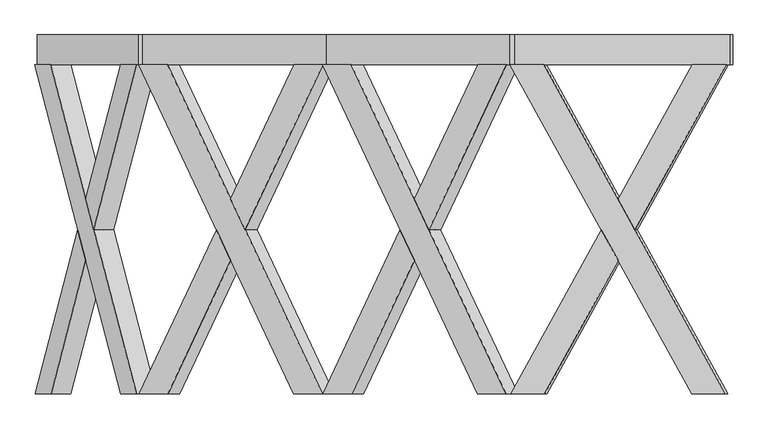
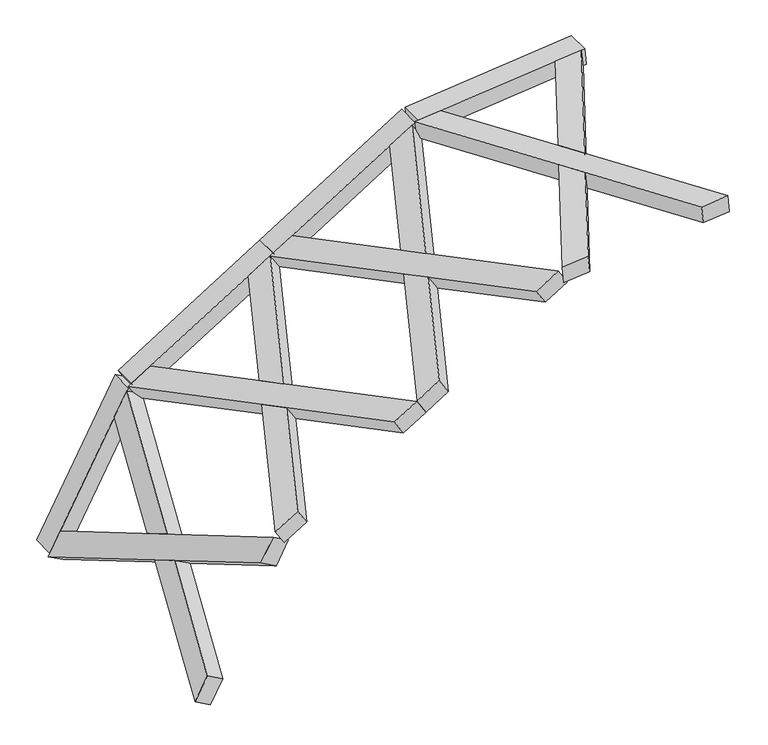
"""IFC4 building model written with IfcOpenShell, lengths in millimetres: proxy geometry."""

from ifc_helpers import new_model, si_unit, frame, origin, place, context, project, spatial, polyline, outline, extrude, faceted_brep, source, transform, mapped, element, save


def generic_models_c816ff76(model_context):
    return source(origin(), model_context, "Body", "SolidModel", [
        faceted_brep([(4593.6260355, -100.0, 2911.5530672), (3369.9754369, -2319.6837757, 2782.9422068), (3142.5573059, -2319.6837757, 2759.0395981), (4366.2079046, -100.0, 2887.6504585), (3126.8780364, -2319.6837757, 2908.2178824), (3354.2961674, -2319.6837757, 2932.1204911), (3850.0546145, -1420.3854116, 2984.2268036), (3736.345549, -1214.1188776, 2972.2754992), (4577.946766, -100.0, 3060.7313515), (4350.5286351, -100.0, 3036.8287428), (3850.0546145, -1007.8523437, 2984.2268036), (3963.7636799, -1214.1188776, 2996.1781079), (3744.1851837, -1214.1188776, 2897.6863571), (3857.8942492, -1007.8523437, 2909.6376614), (3971.6033147, -1214.1188776, 2921.5889658), (3857.8942492, -1420.3854116, 2909.6376614)], [[[0, 1, 2, 3]], [[4, 5, 6, 7]], [[8, 9, 10, 11]], [[0, 3, 9, 8]], [[3, 2, 4, 7, 12, 13, 10, 9]], [[2, 1, 5, 4]], [[1, 0, 8, 11, 14, 15, 6, 5]], [[12, 15, 14, 13]], [[13, 14, 11, 10]], [[15, 12, 7, 6]]]),
        faceted_brep([(3137.8417324, -100.0, 2758.5439713), (3365.2598633, -100.0, 2782.4465801), (3865.7338839, -1007.8523437, 2835.0485193), (3752.0248185, -1214.1188776, 2823.0972149), (4588.910462, -2319.6837757, 2911.0574405), (4361.492331, -2319.6837757, 2887.1548317), (3865.7338839, -1420.3854116, 2835.0485193), (3979.4429494, -1214.1188776, 2846.9998236), (3122.1624629, -100.0, 2907.7222556), (4345.8130615, -2319.6837757, 3036.333116), (4573.2311925, -2319.6837757, 3060.2357248), (3349.5805938, -100.0, 2931.6248644), (3971.6033147, -1214.1188776, 2921.5889658), (3857.8942492, -1007.8523437, 2909.6376614), (3744.1851837, -1214.1188776, 2897.6863571), (3857.8942492, -1420.3854116, 2909.6376614)], [[[0, 1, 2, 3]], [[4, 5, 6, 7]], [[8, 9, 10, 11]], [[1, 0, 8, 11]], [[11, 10, 4, 7, 12, 13, 2, 1]], [[5, 4, 10, 9]], [[9, 8, 0, 3, 14, 15, 6, 5]], [[12, 15, 14, 13]], [[13, 14, 3, 2]], [[15, 12, 7, 6]]]),
        extrude(outline(polyline([(0.0, -200.0), (0.0, 0.0), (1460.0, 0.0), (1460.0, -200.0), (0.0, -200.0)])), frame((4621.5705244, -100.0, 2914.4901514), z_axis=(-0.10452846326765033, 0.0, 0.9945218953682737), x_axis=(-0.9945218953682737, 0.0, -0.10452846326765033)), (0.0, 0.0, 1.0), 150.0),
        faceted_brep([(3177.64406, -100.0, 2757.9742385), (2134.2134775, -2319.6837757, 2105.9664467), (1940.2896294, -2319.6837757, 1984.7893774), (2983.7202119, -100.0, 2636.7971693), (1860.8017398, -2319.6837757, 2111.9965919), (2054.7255879, -2319.6837757, 2233.1736611), (2477.4684245, -1420.3854116, 2497.3327035), (2380.5065005, -1214.1188776, 2436.7441689), (3098.1561703, -100.0, 2885.181453), (2904.2323222, -100.0, 2764.0043837), (2477.4684245, -1007.8523437, 2497.3327035), (2574.4303486, -1214.1188776, 2557.9212382), (2420.2504453, -1214.1188776, 2373.1405617), (2517.2123694, -1007.8523437, 2433.7290963), (2614.1742934, -1214.1188776, 2494.317631), (2517.2123694, -1420.3854116, 2433.7290963)], [[[0, 1, 2, 3]], [[4, 5, 6, 7]], [[8, 9, 10, 11]], [[0, 3, 9, 8]], [[3, 2, 4, 7, 12, 13, 10, 9]], [[2, 1, 5, 4]], [[1, 0, 8, 11, 14, 15, 6, 5]], [[12, 15, 14, 13]], [[13, 14, 11, 10]], [[15, 12, 7, 6]]]),
        faceted_brep([(1936.2685684, -100.0, 1982.2767397), (2130.1924165, -100.0, 2103.4538089), (2556.9563142, -1007.8523437, 2370.1254891), (2459.9943901, -1214.1188776, 2309.5369545), (3173.622999, -2319.6837757, 2755.4616008), (2979.6991509, -2319.6837757, 2634.2845315), (2556.9563142, -1420.3854116, 2370.1254891), (2653.9182382, -1214.1188776, 2430.7140237), (1856.7806788, -100.0, 2109.4839541), (2900.2112612, -2319.6837757, 2761.4917459), (3094.1351093, -2319.6837757, 2882.6688152), (2050.7045269, -100.0, 2230.6610234), (2614.1742934, -1214.1188776, 2494.317631), (2517.2123694, -1007.8523437, 2433.7290963), (2420.2504453, -1214.1188776, 2373.1405617), (2517.2123694, -1420.3854116, 2433.7290963)], [[[0, 1, 2, 3]], [[4, 5, 6, 7]], [[8, 9, 10, 11]], [[1, 0, 8, 11]], [[11, 10, 4, 7, 12, 13, 2, 1]], [[5, 4, 10, 9]], [[9, 8, 0, 3, 14, 15, 6, 5]], [[12, 15, 14, 13]], [[13, 14, 3, 2]], [[15, 12, 7, 6]]]),
        extrude(outline(polyline([(0.0, -200.0), (0.0, 0.0), (1460.0, 0.0), (1460.0, -200.0), (0.0, -200.0)])), frame((3201.4728673, -100.0, 2772.8641299), z_axis=(-0.5299192642332021, 0.0, 0.8480480961564277), x_axis=(-0.8480480961564277, 0.0, -0.5299192642332021)), (0.0, 0.0, 1.0), 150.0),
        faceted_brep([(1939.4938396, -100.0, 1984.2921128), (896.0632571, -2319.6837757, 1332.2843209), (702.139409, -2319.6837757, 1211.1072517), (1745.5699915, -100.0, 1863.1150435), (622.6515194, -2319.6837757, 1338.3144661), (816.5753675, -2319.6837757, 1459.4915354), (1239.3182042, -1420.3854116, 1723.6505777), (1142.3562801, -1214.1188776, 1663.0620431), (1860.0059499, -100.0, 2111.4993272), (1666.0821018, -100.0, 1990.3222579), (1239.3182042, -1007.8523437, 1723.6505777), (1336.2801282, -1214.1188776, 1784.2391124), (1182.1002249, -1214.1188776, 1599.4584359), (1279.062149, -1007.8523437, 1660.0469705), (1376.024073, -1214.1188776, 1720.6355052), (1279.062149, -1420.3854116, 1660.0469705)], [[[0, 1, 2, 3]], [[4, 5, 6, 7]], [[8, 9, 10, 11]], [[0, 3, 9, 8]], [[3, 2, 4, 7, 12, 13, 10, 9]], [[2, 1, 5, 4]], [[1, 0, 8, 11, 14, 15, 6, 5]], [[12, 15, 14, 13]], [[13, 14, 11, 10]], [[15, 12, 7, 6]]]),
        faceted_brep([(698.118348, -100.0, 1208.5946139), (892.0421961, -100.0, 1329.7716832), (1318.8060938, -1007.8523437, 1596.4433633), (1221.8441697, -1214.1188776, 1535.8548287), (1935.4727786, -2319.6837757, 1981.779475), (1741.5489305, -2319.6837757, 1860.6024057), (1318.8060938, -1420.3854116, 1596.4433633), (1415.7680178, -1214.1188776, 1657.031898), (618.6304584, -100.0, 1335.8018283), (1662.0610408, -2319.6837757, 1987.8096201), (1855.9848889, -2319.6837757, 2108.9866894), (812.5543065, -100.0, 1456.9788976), (1376.024073, -1214.1188776, 1720.6355052), (1279.062149, -1007.8523437, 1660.0469705), (1182.1002249, -1214.1188776, 1599.4584359), (1279.062149, -1420.3854116, 1660.0469705)], [[[0, 1, 2, 3]], [[4, 5, 6, 7]], [[8, 9, 10, 11]], [[1, 0, 8, 11]], [[11, 10, 4, 7, 12, 13, 2, 1]], [[5, 4, 10, 9]], [[9, 8, 0, 3, 14, 15, 6, 5]], [[12, 15, 14, 13]], [[13, 14, 3, 2]], [[15, 12, 7, 6]]]),
        extrude(outline(polyline([(0.0, -200.0), (0.0, 0.0), (1460.0, 0.0), (1460.0, -200.0), (0.0, -200.0)])), frame((1963.3226469, -100.0, 1999.1820041), z_axis=(-0.5299192642332045, 0.0, 0.8480480961564264), x_axis=(-0.8480480961564264, 0.0, -0.5299192642332045)), (0.0, 0.0, 1.0), 150.0),
        faceted_brep([(738.4581444, -100.0, 1229.0836905), (160.8246488, -2319.6837757, 142.7130881), (53.4702046, -2319.6837757, -59.1912563), (631.1037001, -100.0, 1027.1793461), (-78.9719344, -2319.6837757, 11.2294781), (28.3825098, -2319.6837757, 213.1338225), (262.4090245, -1420.3854116, 653.2736822), (208.7318024, -1214.1188776, 552.32151), (606.0160054, -100.0, 1299.5044249), (498.6615612, -100.0, 1097.6000805), (262.4090245, -1007.8523437, 653.2736822), (316.0862466, -1214.1188776, 754.2258544), (274.9528718, -1214.1188776, 517.1111428), (328.630094, -1007.8523437, 618.063315), (382.3073161, -1214.1188776, 719.0154872), (328.630094, -1420.3854116, 618.063315)], [[[0, 1, 2, 3]], [[4, 5, 6, 7]], [[8, 9, 10, 11]], [[0, 3, 9, 8]], [[3, 2, 4, 7, 12, 13, 10, 9]], [[2, 1, 5, 4]], [[1, 0, 8, 11, 14, 15, 6, 5]], [[12, 15, 14, 13]], [[13, 14, 11, 10]], [[15, 12, 7, 6]]]),
        faceted_brep([(51.2441825, -100.0, -63.3777949), (158.5986267, -100.0, 138.5265495), (394.8511634, -1007.8523437, 582.8529478), (341.1739413, -1214.1188776, 481.9007756), (736.2321223, -2319.6837757, 1224.8971519), (628.8776781, -2319.6837757, 1022.9928075), (394.8511634, -1420.3854116, 582.8529478), (448.5283855, -1214.1188776, 683.80512), (-81.1979565, -100.0, 7.0429395), (496.4355391, -2319.6837757, 1093.4135419), (603.7899833, -2319.6837757, 1295.3178863), (26.1564878, -100.0, 208.9472839), (382.3073161, -1214.1188776, 719.0154872), (328.630094, -1007.8523437, 618.063315), (274.9528718, -1214.1188776, 517.1111428), (328.630094, -1420.3854116, 618.063315)], [[[0, 1, 2, 3]], [[4, 5, 6, 7]], [[8, 9, 10, 11]], [[1, 0, 8, 11]], [[11, 10, 4, 7, 12, 13, 2, 1]], [[5, 4, 10, 9]], [[9, 8, 0, 3, 14, 15, 6, 5]], [[12, 15, 14, 13]], [[13, 14, 3, 2]], [[15, 12, 7, 6]]]),
        extrude(outline(polyline([(-148.3871943, 0.0), (-148.3871943, -150.0000001), (-348.3871943, -150.0000001), (-348.3871943, 0.0), (-148.3871943, 0.0)])), frame((66.2210695, -248.3871943, -35.2103672), z_axis=(0.4694715627858919, 0.0, 0.8829475928589264), x_axis=(0.0, -1.0, 0.0)), (0.0, 0.0, 1.0), 1460.0),
    ])


if __name__ == "__main__":
    model = new_model("IFC4")
    model_context = context("Model", 3, world=origin())
    ifc_project = project(units=[si_unit("LENGTHUNIT", "METRE", prefix="MILLI")], contexts=[model_context])
    site = spatial("IfcSite", under=ifc_project)
    building = spatial("IfcBuilding", under=site)
    placement = place(None, origin())
    generic_models_shape = generic_models_c816ff76(model_context)
    element("IfcBuildingElementProxy", 1, Name="Generic Models", at=placement, inside=building, context=model_context, shape_type="MappedRepresentation", body=[
        mapped(generic_models_shape, transform((0.0, 0.0, 0.0), x_axis=(1.0, 0.0, 0.0), y_axis=(0.0, 1.0, 0.0), z_axis=(0.0, 0.0, 1.0))),
    ])
    save(model, "model.ifc")
